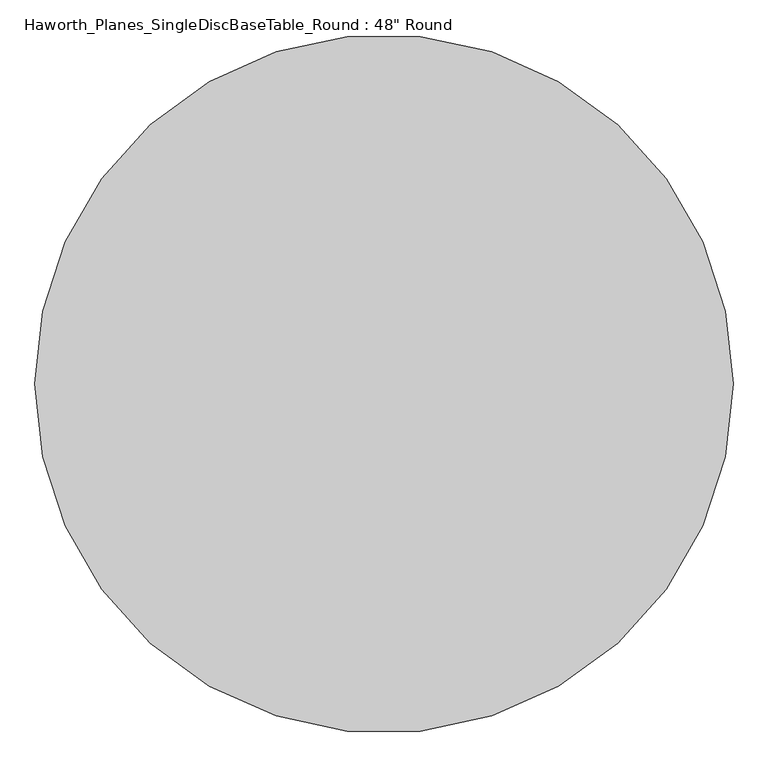
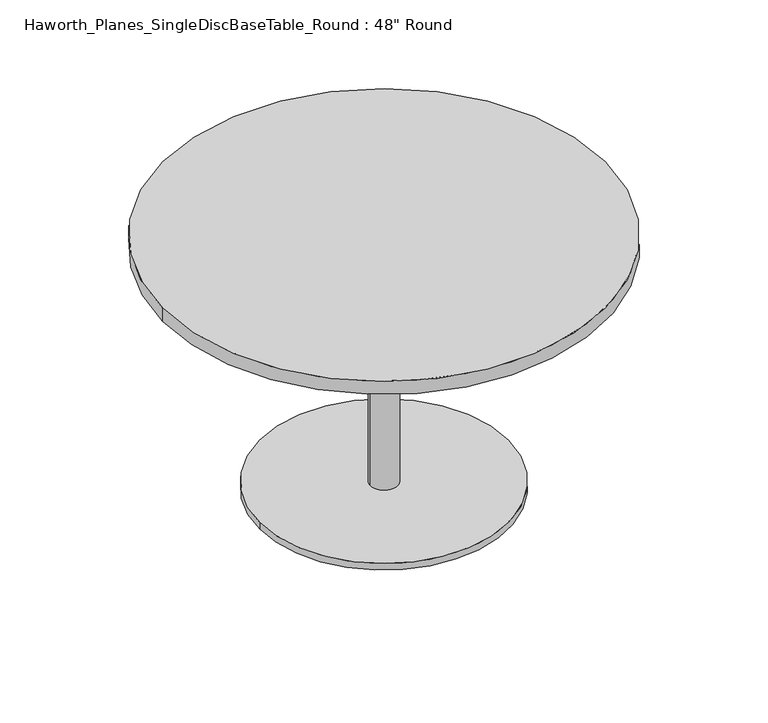
"""IFC4 building model written with IfcOpenShell, lengths in millimetres: furniture geometry."""

from ifc_helpers import new_model, si_unit, point, frame, origin, origin_with_axes, origin_2d, place, context, project, spatial, polyline, circle_curve, trimmed, segment, composite_curve, outline, extrude, source, transform, mapped, element, save


def furniture_fab39f0b(model_context):
    return source(origin(), model_context, "Body", "SweptSolid", [
        extrude(outline(polyline([(136.525, 136.525), (136.525, -136.525), (-136.525, -136.525), (-136.525, 136.525), (136.525, 136.525)])), frame((0.0, 0.0, 692.15), z_axis=(0.0, 0.0, 1.0), x_axis=(1.0, 0.0, 0.0)), (0.0, 0.0, 1.0), 6.35),
        extrude(outline(composite_curve([segment(trimmed(circle_curve(origin_2d(), 609.6), [point((-609.6, 0.0))], [point((609.6, 0.0))], False, "CARTESIAN"), True, "CONTINUOUS"), segment(trimmed(circle_curve(origin_2d(), 609.6), [point((609.6, 0.0))], [point((-609.6, 0.0))], False, "CARTESIAN"), True, "CONTINUOUS")], self_intersect=False)), frame((0.0, 0.0, 698.5), z_axis=(0.0, 0.0, 1.0), x_axis=(1.0, 0.0, 0.0)), (0.0, 0.0, 1.0), 38.1),
        extrude(outline(composite_curve([segment(trimmed(circle_curve(origin_2d(), 342.9), [point((-342.9, 0.0))], [point((342.9, 0.0))], False, "CARTESIAN"), True, "CONTINUOUS"), segment(trimmed(circle_curve(origin_2d(), 342.9), [point((342.9, 0.0))], [point((-342.9, 0.0))], False, "CARTESIAN"), True, "CONTINUOUS")], self_intersect=False)), origin_with_axes(), (0.0, 0.0, 1.0), 19.05),
        extrude(outline(composite_curve([segment(trimmed(circle_curve(origin_2d(), 38.1), [point((-38.1, 0.0))], [point((38.1, 0.0))], False, "CARTESIAN"), True, "CONTINUOUS"), segment(trimmed(circle_curve(origin_2d(), 38.1), [point((38.1, 0.0))], [point((-38.1, 0.0))], False, "CARTESIAN"), True, "CONTINUOUS")], self_intersect=False)), frame((0.0, 0.0, 19.05), z_axis=(0.0, 0.0, 1.0), x_axis=(1.0, 0.0, 0.0)), (0.0, 0.0, 1.0), 679.45),
        extrude(outline(composite_curve([segment(trimmed(circle_curve(origin_2d(), 31.75), [point((-31.75, 0.0))], [point((31.75, 0.0))], False, "CARTESIAN"), True, "CONTINUOUS"), segment(trimmed(circle_curve(origin_2d(), 31.75), [point((31.75, 0.0))], [point((-31.75, 0.0))], False, "CARTESIAN"), True, "CONTINUOUS")], self_intersect=False)), frame((0.0, 0.0, 237.4510949), z_axis=(0.0, 0.0, 1.0), x_axis=(1.0, 0.0, 0.0)), (0.0, 0.0, 1.0), 461.0489051),
    ])


if __name__ == "__main__":
    model = new_model("IFC4")
    model_context = context("Model", 3, world=origin())
    ifc_project = project(units=[si_unit("LENGTHUNIT", "METRE", prefix="MILLI")], contexts=[model_context])
    site = spatial("IfcSite", under=ifc_project)
    building = spatial("IfcBuilding", under=site)
    placement = place(None, origin())
    furniture_shape = furniture_fab39f0b(model_context)
    element("IfcFurniture", 1, ObjectType="Haworth_Planes_SingleDiscBaseTable_Round : 48\" Round", at=placement, inside=building, context=model_context, shape_type="MappedRepresentation", body=[
        mapped(furniture_shape, transform((0.0, 0.0, 0.0), x_axis=(1.0, 0.0, 0.0), y_axis=(0.0, 1.0, 0.0), z_axis=(0.0, 0.0, 1.0))),
    ])
    save(model, "model.ifc")
